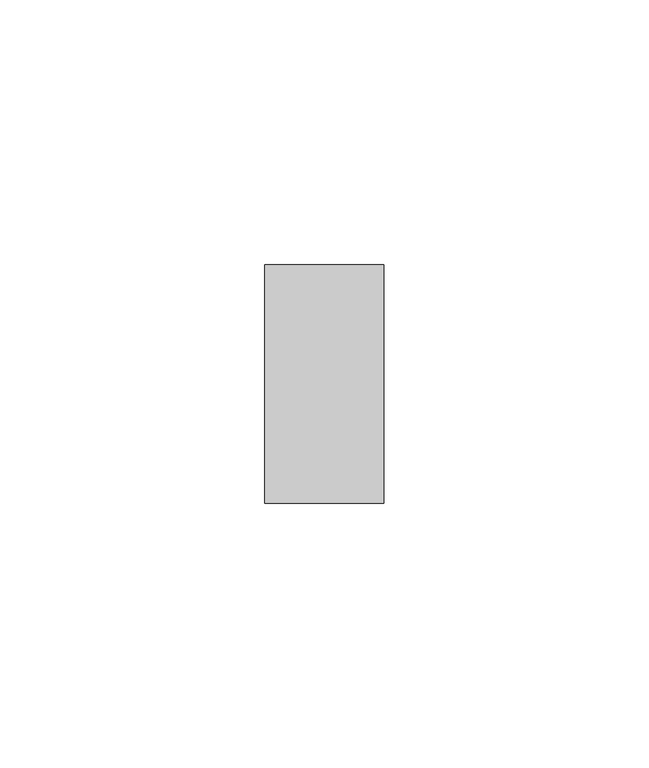
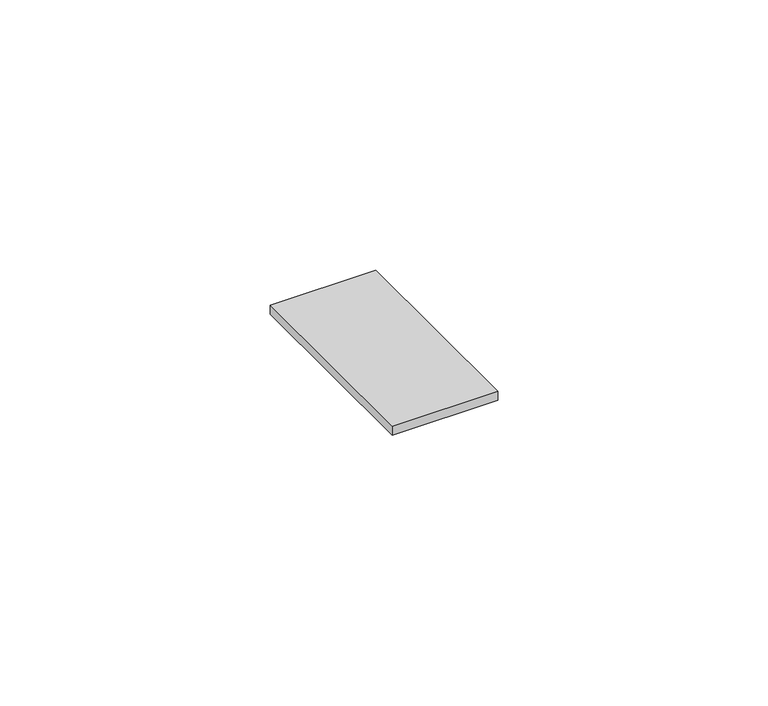
"""IFC4 building model written with IfcOpenShell, lengths in millimetres: proxy geometry."""

from ifc_helpers import new_model, si_unit, frame, origin, place, context, project, spatial, polyline, outline, extrude, source, transform, mapped, element, save


def electrical_fixtures_14f0c5cb(model_context):
    return source(origin(), model_context, "Body", "SweptSolid", [
        extrude(outline(polyline([(0.0, 45.0), (22.5, 45.0), (22.5, 0.0), (0.0, 0.0), (0.0, 45.0)])), frame((0.0, 0.0, 3.0), z_axis=(0.0, 0.0, 1.0), x_axis=(1.0, 0.0, 0.0)), (0.0, 0.0, 1.0), 1.9896494),
    ])


if __name__ == "__main__":
    model = new_model("IFC4")
    model_context = context("Model", 3, world=origin())
    ifc_project = project(units=[si_unit("LENGTHUNIT", "METRE", prefix="MILLI")], contexts=[model_context])
    site = spatial("IfcSite", under=ifc_project)
    building = spatial("IfcBuilding", under=site)
    placement = place(None, origin())
    electrical_fixtures_shape = electrical_fixtures_14f0c5cb(model_context)
    element("IfcBuildingElementProxy", 1, Name="Electrical Fixtures", at=placement, inside=building, context=model_context, shape_type="MappedRepresentation", body=[
        mapped(electrical_fixtures_shape, transform((0.0, 0.0, 0.0), x_axis=(1.0, 0.0, 0.0), y_axis=(0.0, 1.0, 0.0), z_axis=(0.0, 0.0, 1.0))),
    ])
    save(model, "model.ifc")
